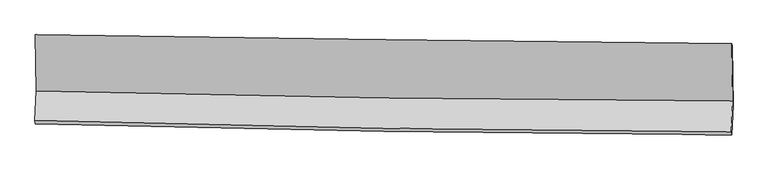
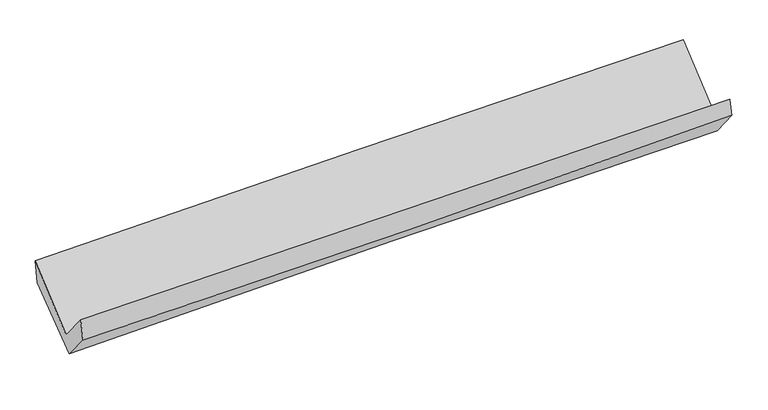
"""IFC4 building model written with IfcOpenShell, lengths in millimetres: proxy geometry."""

from ifc_helpers import new_model, si_unit, frame, origin, place, context, project, spatial, source, transform, mapped, element, save
from ifc_brep_helpers import plane_surface, spline_curve, spline_surface, advanced_brep


def generic_models_82d67e30(model_context):
    return source(origin(), model_context, "Body", "AdvancedBrep", [
        advanced_brep(
        [(-3032.670849, -1178.1228425, 2173.433081), (-3024.5161095, -1667.154178, 1730.0313813), (3018.3233161, -1755.6597867, 1859.1333156), (3010.4877135, -1253.2803117, 2295.3210076), (-3035.3858884, -1924.9103423, 2037.1837054), (3007.1503559, -2022.8126348, 2174.1639027), (-3030.3703849, -1951.6641786, 1849.9913978), (3011.0668806, -2048.1864331, 2026.5896639), (-3020.3361102, -1708.8570338, 1567.9660905), (3022.0337184, -1793.7458777, 1714.9416572), (-3027.0631659, -1201.7097936, 1966.1131781), (3014.5811966, -1277.3039506, 2141.8581561)],
        [
            (0, 1),
            (1, 2, spline_curve(3, [(-3024.5161095, -1667.154178, 1730.0313813), (-2017.637742329, -1691.429932879, 1757.778945607), (-1010.626886512, -1710.943286539, 1782.411248473), (1003.652924118, -1740.445091297, 1825.445183945), (2010.921876434, -1750.433606971, 1843.846859234), (3018.3233161, -1755.6597867, 1859.1333156)], [4, 2, 4], [0.0, 9.916273800232096, 19.83247986242566])),
            (2, 3),
            (3, 0, spline_curve(3, [(3010.4877135, -1253.2803117, 2295.3210076), (2003.034781951, -1244.750562135, 2282.9016467), (995.713489026, -1234.222593118, 2266.534687526), (-1018.672700382, -1209.170130515, 2225.905432304), (-2025.737594923, -1194.645609942, 2201.643083133), (-3032.670849, -1178.1228425, 2173.433081)], [4, 2, 4], [0.0, 9.916206062193565, 19.83247986242566])),
            (1, 4),
            (4, 5, spline_curve(3, [(-3035.3858884, -1924.9103423, 2037.1837054), (-2028.662781756, -1952.499911522, 2069.433344817), (-1021.754820602, -1974.453229272, 2096.973204172), (992.423929754, -2007.087249466, 2142.633205276), (1999.694717027, -2017.768029479, 2160.753412212), (3007.1503559, -2022.8126348, 2174.1639027)], [4, 2, 4], [0.0, 9.91636655624964, 19.832665373827133])),
            (5, 2),
            (4, 6),
            (6, 7, spline_curve(3, [(-3030.3703849, -1951.6641786, 1849.9913978), (-2023.464113164, -1979.483756419, 1875.637958201), (-1016.556152392, -2001.437074155, 1903.177817239), (997.256269795, -2033.611078755, 1962.043931903), (2004.160730503, -2043.831845854, 1993.370161616), (3011.0668806, -2048.1864331, 2026.5896639)], [4, 2, 4], [0.0, 9.916218970483731, 19.832370203303476])),
            (7, 5),
            (6, 8),
            (8, 9, spline_curve(3, [(-3020.3361102, -1708.8570338, 1567.9660905), (-2013.482528343, -1719.741615329, 1600.776652917), (-1006.52319837, -1732.25800627, 1629.429925484), (1007.600079311, -1760.554309683, 1678.421724384), (2014.764025343, -1776.334200255, 1698.760307069), (3022.0337184, -1793.7458777, 1714.9416572)], [4, 2, 4], [0.0, 9.915995364726115, 19.831922993315693])),
            (9, 7),
            (8, 10),
            (10, 11, spline_curve(3, [(-3027.0631659, -1201.7097936, 1966.1131781), (-2020.502223463, -1212.804392358, 2009.29312306), (-1013.749668076, -1224.651229007, 2045.52853679), (1000.131788443, -1249.849291529, 2104.110100924), (2007.260687779, -1263.200507361, 2126.456346857), (3014.5811966, -1277.3039506, 2141.8581561)], [4, 2, 4], [0.0, 9.916027345095992, 19.83198695383699])),
            (11, 9),
            (10, 0),
            (3, 11),
        ],
        [
            spline_surface(3, 3, [[(-3032.670849, -1178.1228425, 2173.433081), (-2025.73759481, -1194.645609923, 2201.643082996), (-1018.672700329, -1209.170130595, 2225.905432447), (995.713488972, -1234.222593038, 2266.534687384), (2003.034781986, -1244.75056208, 2282.901646794), (3010.4877135, -1253.2803117, 2295.3210076)], [(-3029.952602521, -1341.133287668, 2025.63251444), (-2023.037644036, -1360.240384253, 2053.688370554), (-1015.99076235, -1376.427849277, 2078.074037798), (998.359967304, -1402.963425742, 2119.504852935), (2005.663813461, -1413.311577041, 2136.550050961), (3013.099581025, -1420.740136696, 2149.925110267)], [(-3027.234355979, -1504.143732832, 1877.83194786), (-2020.337693198, -1525.835158579, 1905.733658092), (-1013.308824356, -1543.685567982, 1930.242643089), (1001.006445651, -1571.704258468, 1972.475018425), (2008.292844962, -1581.872592014, 1990.198455126), (3015.711448575, -1588.199961704, 2004.529212933)], [(-3024.5161095, -1667.154178, 1730.0313813), (-2017.637742424, -1691.429932909, 1757.77894565), (-1010.626886376, -1710.943286664, 1782.411248441), (1003.652923983, -1740.445091172, 1825.445183977), (2010.921876437, -1750.433606974, 1843.846859293), (3018.3233161, -1755.6597867, 1859.1333156)]], [4, 4], [4, 2, 4], [0.0, 2.2001199777665432], [0.0, 9.916273800232096, 19.83247986242566]),
            spline_surface(3, 3, [[(-3024.5161095, -1667.154178, 1730.0313813), (-2017.637742424, -1691.429932909, 1757.77894565), (-1010.626886376, -1710.943286664, 1782.411248441), (1003.652923983, -1740.445091172, 1825.445183977), (2010.921876437, -1750.433606974, 1843.846859293), (3018.3233161, -1755.6597867, 1859.1333156)], [(-3028.139369112, -1753.072899452, 1832.415489318), (-2021.312755475, -1778.453259129, 1861.663745394), (-1014.336197821, -1798.779934161, 1887.265233619), (999.909925956, -1829.325810668, 1931.174524449), (2007.179489983, -1839.545081174, 1949.482376888), (3014.598996026, -1844.71073609, 1964.143511285)], [(-3031.762628788, -1838.991620848, 1934.799597382), (-2024.987768589, -1865.476585294, 1965.548545185), (-1018.045509286, -1886.616581619, 1992.119218836), (996.166927909, -1918.206530126, 2036.903864961), (2003.437103552, -1928.656555303, 2055.117894526), (3010.874675974, -1933.76168541, 2069.153707015)], [(-3035.3858884, -1924.9103423, 2037.1837054), (-2028.66278164, -1952.499911515, 2069.43334493), (-1021.75482073, -1974.453229115, 2096.973204014), (992.423929882, -2007.087249623, 2142.633205434), (1999.694717098, -2017.768029503, 2160.753412121), (3007.1503559, -2022.8126348, 2174.1639027)]], [4, 4], [4, 2, 4], [0.0, 1.3533902705245235], [0.0, 9.91636655624964, 19.832665373827133]),
            spline_surface(3, 3, [[(-3035.3858884, -1924.9103423, 2037.1837054), (-2028.66278164, -1952.499911515, 2069.43334493), (-1021.75482073, -1974.453229115, 2096.973204014), (992.423929882, -2007.087249623, 2142.633205434), (1999.694717098, -2017.768029503, 2160.753412121), (3007.1503559, -2022.8126348, 2174.1639027)], [(-3033.714053916, -1933.828287714, 1974.78626954), (-2026.929892158, -1961.49452649, 2004.834882694), (-1020.021931248, -1983.447844091, 2032.374741779), (994.034709785, -2015.928525999, 2082.436780913), (2001.183388256, -2026.455968327, 2104.958995245), (3008.455864147, -2031.270567557, 2124.972489774)], [(-3032.042219384, -1942.746233186, 1912.38883366), (-2025.197002628, -1970.489141524, 1940.23642044), (-1018.289041718, -1992.442459125, 1967.776279524), (995.645489735, -2024.769802433, 2022.240356374), (2002.67205937, -2035.143907178, 2049.164578347), (3009.761372353, -2039.728500343, 2075.781076826)], [(-3030.3703849, -1951.6641786, 1849.9913978), (-2023.464113145, -1979.4837565, 1875.637958204), (-1016.556152235, -2001.4370741, 1903.177817289), (997.256269638, -2033.611078809, 1962.043931853), (2004.160730528, -2043.831846002, 1993.370161472), (3011.0668806, -2048.1864331, 2026.5896639)]], [4, 4], [4, 2, 4], [0.0, 0.6206071687155225], [0.0, 9.916218970483731, 19.832370203303476]),
            spline_surface(3, 3, [[(-3030.3703849, -1951.6641786, 1849.9913978), (-2023.464113145, -1979.4837565, 1875.637958204), (-1016.556152235, -2001.4370741, 1903.177817289), (997.256269638, -2033.611078809, 1962.043931853), (2004.160730528, -2043.831846002, 1993.370161472), (3011.0668806, -2048.1864331, 2026.5896639)], [(-3027.025626669, -1870.728463698, 1755.982962039), (-2020.136918245, -1892.903042809, 1784.017523093), (-1013.211834265, -1911.710718152, 1811.928520044), (1000.704206199, -1942.592155822, 1867.503196015), (2007.695162134, -1954.665964089, 1895.166876727), (3014.722493181, -1963.372914644, 1922.706995019)], [(-3023.680868431, -1789.792748702, 1661.974526261), (-2016.809723339, -1806.322329025, 1692.397087967), (-1009.867516322, -1821.984362129, 1720.679222787), (1004.152142732, -1851.57323276, 1772.962460163), (2011.229593799, -1865.500082142, 1796.963591926), (3018.378105819, -1878.559396156, 1818.824326081)], [(-3020.3361102, -1708.8570338, 1567.9660905), (-2013.48252844, -1719.741615334, 1600.776652856), (-1006.523198352, -1732.25800618, 1629.429925543), (1007.600079293, -1760.554309773, 1678.421724325), (2014.764025405, -1776.334200229, 1698.760307181), (3022.0337184, -1793.7458777, 1714.9416572)]], [4, 4], [4, 2, 4], [0.0, 1.2760487556634414], [0.0, 9.915995364726115, 19.831922993315693]),
            spline_surface(3, 3, [[(-3020.3361102, -1708.8570338, 1567.9660905), (-2013.48252844, -1719.741615334, 1600.776652856), (-1006.523198352, -1732.25800618, 1629.429925543), (1007.600079293, -1760.554309773, 1678.421724325), (2014.764025405, -1776.334200229, 1698.760307181), (3022.0337184, -1793.7458777, 1714.9416572)], [(-3022.5784621, -1539.80795372, 1700.681786372), (-2015.822426729, -1550.762540995, 1736.948809572), (-1008.932021642, -1563.055747082, 1768.129462551), (1005.110649053, -1590.319303684, 1820.317849893), (2012.262912825, -1605.289635914, 1841.325653712), (3019.549544477, -1621.598568665, 1857.247156834)], [(-3024.820814, -1370.75887368, 1833.397482228), (-2018.162325017, -1381.783466696, 1873.120966271), (-1011.340844924, -1393.853488055, 1906.828999617), (1002.621218821, -1420.084297668, 1962.213975521), (2009.761800215, -1434.245071603, 1983.891000241), (3017.065370523, -1449.451259635, 1999.552656466)], [(-3027.0631659, -1201.7097936, 1966.1131781), (-2020.502223306, -1212.804392356, 2009.293122987), (-1013.749668214, -1224.651228957, 2045.528536625), (1000.131788581, -1249.849291579, 2104.110101089), (2007.260687635, -1263.200507289, 2126.456346772), (3014.5811966, -1277.3039506, 2141.8581561)]], [4, 4], [4, 2, 4], [0.0, 2.1674535653180764], [0.0, 9.916027345095992, 19.83198695383699]),
            spline_surface(3, 3, [[(-3027.0631659, -1201.7097936, 1966.1131781), (-2020.502223306, -1212.804392356, 2009.293122987), (-1013.749668214, -1224.651228957, 2045.528536625), (1000.131788581, -1249.849291579, 2104.110101089), (2007.260687635, -1263.200507289, 2126.456346772), (3014.5811966, -1277.3039506, 2141.8581561)], [(-3028.932393582, -1193.847476549, 2035.219812392), (-2022.247347122, -1206.751464861, 2073.409776315), (-1015.390678911, -1219.49086285, 2105.654168567), (998.659022052, -1244.640392079, 2158.251629856), (2005.85205243, -1257.050525533, 2178.6047801), (3013.216702245, -1269.296070947, 2193.012439921)], [(-3030.801621318, -1185.985159551, 2104.326446708), (-2023.992470993, -1200.698537419, 2137.526429668), (-1017.031689632, -1214.330496702, 2165.779800505), (997.186255501, -1239.431492538, 2212.393158617), (2004.443417191, -1250.900543836, 2230.753213465), (3011.852207855, -1261.288191353, 2244.166723779)], [(-3032.670849, -1178.1228425, 2173.433081), (-2025.73759481, -1194.645609923, 2201.643082996), (-1018.672700329, -1209.170130595, 2225.905432447), (995.713488972, -1234.222593038, 2266.534687384), (2003.034781986, -1244.75056208, 2282.901646794), (3010.4877135, -1253.2803117, 2295.3210076)]], [4, 4], [4, 2, 4], [0.0, 0.5648571075771004], [0.0, 9.916032707266554, 19.831997678141484]),
            plane_surface(frame((3013.9405302, -1691.8314991, 2035.3346172), z_axis=(0.9995687398952604, -0.00874843994062165, 0.02803210699905963), x_axis=(-0.0111216122677007, 0.7707011195973207, 0.6370997519949317))),
            plane_surface(frame((-3028.390418, -1605.4030615, 1887.453139), z_axis=(-0.9995687398953026, 0.008748439937445004, -0.028032106998544658), x_axis=(0.026865381085608982, -0.11300075740825423, -0.993231634677574))),
        ],
        [
            (0, [[1, 2, 3, 4]]),
            (1, [[5, 6, 7, -2]]),
            (2, [[8, 9, 10, -6]]),
            (3, [[11, 12, 13, -9]]),
            (4, [[14, 15, 16, -12]]),
            (5, [[17, -4, 18, -15]]),
            (6, [[-16, -18, -3, -7, -10, -13]]),
            (7, [[-17, -14, -11, -8, -5, -1]]),
        ],
    ),
    ])


if __name__ == "__main__":
    model = new_model("IFC4")
    model_context = context("Model", 3, world=origin())
    ifc_project = project(units=[si_unit("LENGTHUNIT", "METRE", prefix="MILLI")], contexts=[model_context])
    site = spatial("IfcSite", under=ifc_project)
    building = spatial("IfcBuilding", under=site)
    placement = place(None, origin())
    generic_models_shape = generic_models_82d67e30(model_context)
    element("IfcBuildingElementProxy", 1, Name="Generic Models", at=placement, inside=building, context=model_context, shape_type="MappedRepresentation", body=[
        mapped(generic_models_shape, transform((0.0, 0.0, 0.0), x_axis=(1.0, 0.0, 0.0), y_axis=(0.0, 1.0, 0.0), z_axis=(0.0, 0.0, 1.0))),
    ])
    save(model, "model.ifc")
